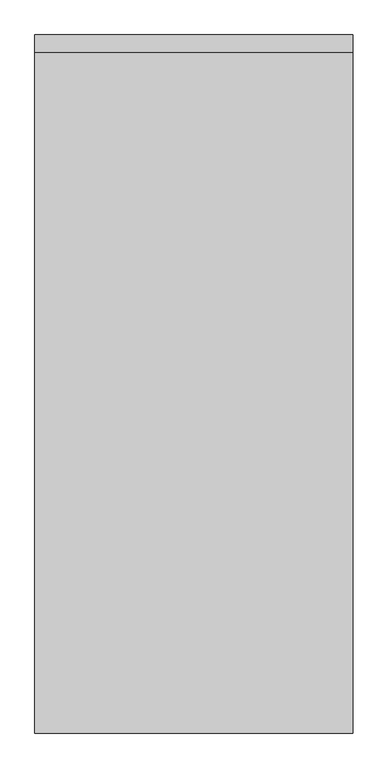
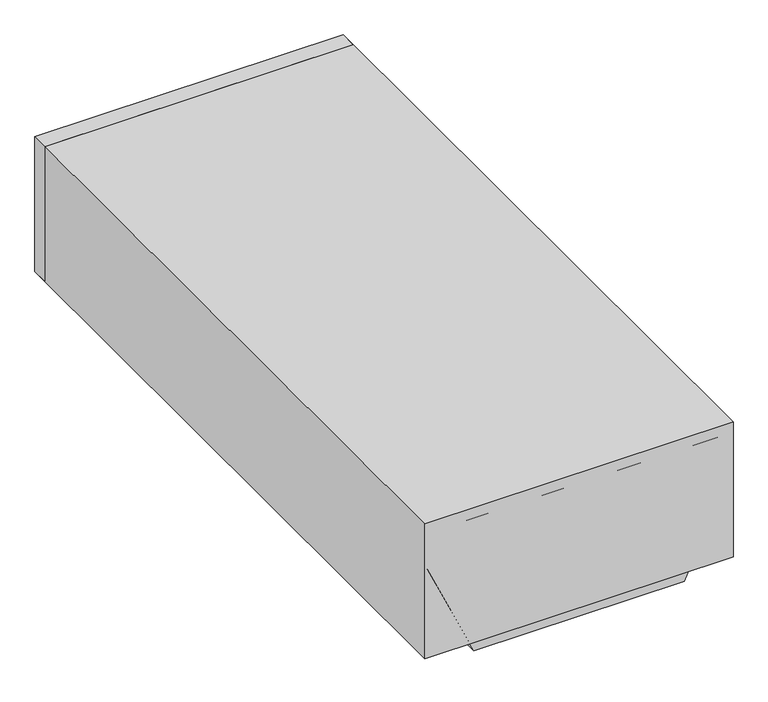
"""IFC4 building model written with IfcOpenShell, lengths in millimetres: proxy geometry."""

from ifc_helpers import new_model, si_unit, point, frame, frame_2d, origin, place, context, project, spatial, polyline, circle_curve, trimmed, segment, composite_curve, outline, extrude, faceted_brep, source, transform, mapped, element, save


def specialty_equipment_fe3859a2(model_context):
    return source(origin(), model_context, "Body", "SolidModel", [
        extrude(outline(composite_curve([segment(trimmed(circle_curve(frame_2d((0.0, -52.0000001)), 52.0), [point((0.0, -104.0))], [point((0.0, 0.0))], False, "CARTESIAN"), True, "CONTINUOUS"), segment(trimmed(circle_curve(frame_2d((0.0, -52.0000001)), 52.0), [point((0.0, 0.0))], [point((0.0, -104.0))], False, "CARTESIAN"), True, "CONTINUOUS")], self_intersect=False)), frame((-363.1201308, 707.7714765, -351.7046243), z_axis=(0.9098092643356966, 0.0, 0.41502662869861556), x_axis=(0.0, -1.0, 0.0)), (0.0, 0.0, 1.0), 5.0),
        extrude(outline(composite_curve([segment(trimmed(circle_curve(frame_2d((0.0, -52.0000001)), 52.0), [point((0.0, -104.0))], [point((0.0, 0.0))], False, "CARTESIAN"), True, "CONTINUOUS"), segment(trimmed(circle_curve(frame_2d((0.0, -52.0000001)), 52.0), [point((0.0, 0.0))], [point((0.0, -104.0))], False, "CARTESIAN"), True, "CONTINUOUS")], self_intersect=False)), frame((363.1331622, 707.7264827, -351.6760572), z_axis=(-0.90980926433571, 0.0, 0.4150266286985865), x_axis=(0.0, 1.0, 0.0)), (0.0, 0.0, 1.0), 5.0),
        extrude(outline(polyline([(-463.55, 2032.0), (463.55, 2032.0), (463.55, 1981.2), (-463.55, 1981.2), (-463.55, 2032.0)])), frame((0.0, 0.0, -428.752), z_axis=(0.0, 0.0, 1.0), x_axis=(1.0, 0.0, 0.0)), (0.0, 0.0, 1.0), 428.752),
        extrude(outline(polyline([(463.55, 0.0), (-463.55, 0.0), (-463.55, 2032.0), (463.55, 2032.0), (463.55, 0.0)])), frame((0.0, 0.0, -428.752), z_axis=(0.0, 0.0, 1.0), x_axis=(1.0, 0.0, 0.0)), (0.0, 0.0, 1.0), 428.752),
        extrude(outline(composite_curve([segment(trimmed(circle_curve(frame_2d((0.0, -6.4)), 6.4), [point((0.0, -12.8))], [point((0.0, 0.0))], False, "CARTESIAN"), True, "CONTINUOUS"), segment(trimmed(circle_curve(frame_2d((0.0, -6.4)), 6.4), [point((0.0, 0.0))], [point((0.0, -12.8))], False, "CARTESIAN"), True, "CONTINUOUS")], self_intersect=False)), frame((-398.1911432, 57.7984364, -209.5868095), z_axis=(0.9098092643356966, 0.0, 0.41502662869861556), x_axis=(0.0, -1.0, 0.0)), (0.0, 0.0, 1.0), 15.9252544),
        extrude(outline(polyline([(-363.5, 772.5), (363.5, 772.5), (363.5, 89.5), (-363.5, 89.5), (-363.5, 772.5)])), frame((0.0, 0.0, -87.0), z_axis=(0.0, 0.0, 1.0), x_axis=(1.0, 0.0, 0.0)), (0.0, 0.0, 1.0), 10.0),
        extrude(outline(polyline([(-413.5, 39.5), (-413.5, 822.5), (413.5, 822.5), (413.5, 39.5), (-413.5, 39.5)]), holes=[polyline([(-363.5, 89.5), (363.5, 89.5), (363.5, 772.5), (-363.5, 772.5), (-363.5, 89.5)])]), frame((0.0, 0.0, -87.0), z_axis=(0.0, 0.0, 1.0), x_axis=(1.0, 0.0, 0.0)), (0.0, 0.0, 1.0), 10.0),
        extrude(outline(composite_curve([segment(trimmed(circle_curve(frame_2d((-330.0, 0.0)), 52.0), [point((-278.0, 0.0))], [point((-382.0, 0.0))], False, "CARTESIAN"), True, "CONTINUOUS"), segment(trimmed(circle_curve(frame_2d((-330.0, 0.0)), 52.0), [point((-382.0, 0.0))], [point((-278.0, 0.0))], False, "CARTESIAN"), True, "CONTINUOUS")], self_intersect=False)), frame((0.0, 893.0, 0.0), z_axis=(0.0, 1.0, 0.0), x_axis=(0.0, 0.0, 1.0)), (0.0, 0.0, 1.0), 31.0),
        extrude(outline(composite_curve([segment(trimmed(circle_curve(frame_2d((-330.0, 0.0)), 85.0), [point((-415.0, 0.0))], [point((-245.0, 0.0))], False, "CARTESIAN"), True, "CONTINUOUS"), segment(trimmed(circle_curve(frame_2d((-330.0, 0.0)), 85.0), [point((-245.0, 0.0))], [point((-415.0, 0.0))], False, "CARTESIAN"), True, "CONTINUOUS")], self_intersect=False)), frame((0.0, 862.0, 0.0), z_axis=(0.0, 1.0, 0.0), x_axis=(0.0, 0.0, 1.0)), (0.0, 0.0, 1.0), 31.0),
        faceted_brep([(-456.5, 862.0, -32.0), (456.5, 862.0, -32.0), (456.5, 862.0, -147.0), (316.0, 862.0, -455.0), (-316.0, 862.0, -455.0), (-456.5, 862.0, -147.0), (-456.5, 0.0, -32.0), (-456.5, 0.0, -147.0), (-316.0, 0.0, -455.0), (316.0, 0.0, -455.0), (456.5, 0.0, -147.0), (456.5, 0.0, -32.0), (413.5, 39.5, -32.0), (-413.5, 39.5, -32.0), (-413.5, 822.5, -32.0), (413.5, 822.5, -32.0), (-409.1723851, 38.4911327, -250.7502163), (-409.1723851, 78.4911327, -250.7502163), (-440.2993822, 78.4911327, -182.5145215), (-440.2993822, 38.4911327, -182.5145215), (424.2381499, 69.0149179, -217.7234862), (424.2381499, 29.0149179, -217.7234862), (440.8392151, 29.0149179, -181.3311157), (440.8392151, 69.0149179, -181.3311157), (413.5, 39.5, -137.6555354), (288.3526063, 39.5, -412.0), (-288.3526063, 39.5, -412.0), (-370.0505867, 39.5, -232.9040713), (-401.1775839, 39.5, -164.6683765), (-413.5, 39.5, -137.6555354), (-413.5, 822.5, -137.6555354), (-288.3526063, 822.5, -412.0), (288.3526063, 822.5, -412.0), (413.5, 822.5, -137.6555354), (-401.1775839, 78.4911327, -164.6683765), (-370.0505867, 78.4911327, -232.9040713), (-370.0505867, 38.4911327, -232.9040713), (-401.1775839, 38.4911327, -164.6683765), (401.7526881, 29.0149179, -207.4663194), (401.7526881, 69.0149179, -207.4663194), (418.3537532, 69.0149179, -171.0739488), (418.3537532, 29.0149179, -171.0739488)], [[[0, 1, 2, 3, 4, 5]], [[6, 7, 8, 9, 10, 11]], [[1, 0, 6, 11], [12, 13, 14, 15]], [[0, 5, 7, 6]], [[5, 4, 8, 7], [16, 17, 18, 19]], [[4, 3, 9, 8]], [[3, 2, 10, 9], [20, 21, 22, 23]], [[2, 1, 11, 10]], [[12, 24, 25, 26, 27, 28, 29, 13]], [[14, 30, 31, 32, 33, 15]], [[13, 29, 30, 14]], [[31, 30, 29, 28, 34, 35, 27, 26]], [[26, 25, 32, 31]], [[25, 24, 33, 32]], [[24, 12, 15, 33]], [[36, 37, 28, 27]], [[16, 36, 27, 35, 17]], [[37, 36, 16, 19]], [[37, 19, 18, 34, 28]], [[17, 35, 34, 18]], [[38, 39, 40, 41]], [[39, 38, 21, 20]], [[40, 39, 20, 23]], [[41, 40, 23, 22]], [[38, 41, 22, 21]]]),
        extrude(outline(polyline([(-136.5689698, 408.5), (-87.0, 408.5), (-87.0, -408.5), (-136.5689698, -408.5), (-407.0, -285.137793), (-407.0, 285.137793), (-136.5689698, 408.5)])), frame((0.0, 44.5, 0.0), z_axis=(0.0, 1.0, 0.0), x_axis=(0.0, 0.0, 1.0)), (0.0, 0.0, 1.0), 5.0),
        extrude(outline(polyline([(-137.6555354, -413.5), (-412.0, -288.3526063), (-412.0, 288.3526063), (-137.6555354, 413.5), (-87.0, 413.5), (-87.0, 408.5), (-136.5689698, 408.5), (-407.0, 285.137793), (-407.0, -285.137793), (-136.5689698, -408.5), (-87.0, -408.5), (-87.0, -413.5), (-137.6555354, -413.5)])), frame((0.0, 44.5, 0.0), z_axis=(0.0, 1.0, 0.0), x_axis=(0.0, 0.0, 1.0)), (0.0, 0.0, 1.0), 778.0),
        extrude(outline(polyline([(-412.0, -288.3526063), (-412.0, 288.3526063), (-137.6555354, 413.5), (-87.0, 413.5), (-87.0, -413.5), (-137.6555354, -413.5), (-412.0, -288.3526063)])), frame((0.0, 39.5, 0.0), z_axis=(0.0, 1.0, 0.0), x_axis=(0.0, 0.0, 1.0)), (0.0, 0.0, 1.0), 5.0),
    ])


if __name__ == "__main__":
    model = new_model("IFC4")
    model_context = context("Model", 3, world=origin())
    ifc_project = project(units=[si_unit("LENGTHUNIT", "METRE", prefix="MILLI")], contexts=[model_context])
    site = spatial("IfcSite", under=ifc_project)
    building = spatial("IfcBuilding", under=site)
    placement = place(None, origin())
    specialty_equipment_shape = specialty_equipment_fe3859a2(model_context)
    element("IfcBuildingElementProxy", 1, Name="Specialty Equipment", at=placement, inside=building, context=model_context, shape_type="MappedRepresentation", body=[
        mapped(specialty_equipment_shape, transform((0.0, 0.0, 0.0), x_axis=(1.0, 0.0, 0.0), y_axis=(0.0, 1.0, 0.0), z_axis=(0.0, 0.0, 1.0))),
    ])
    save(model, "model.ifc")
